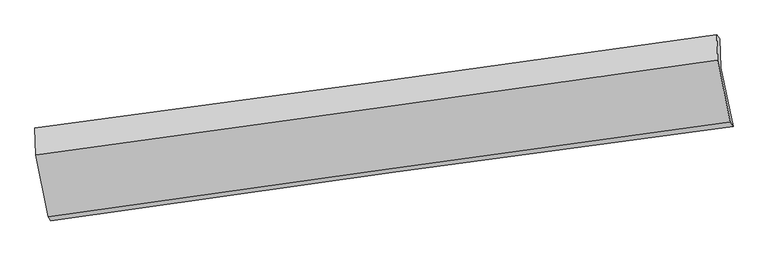
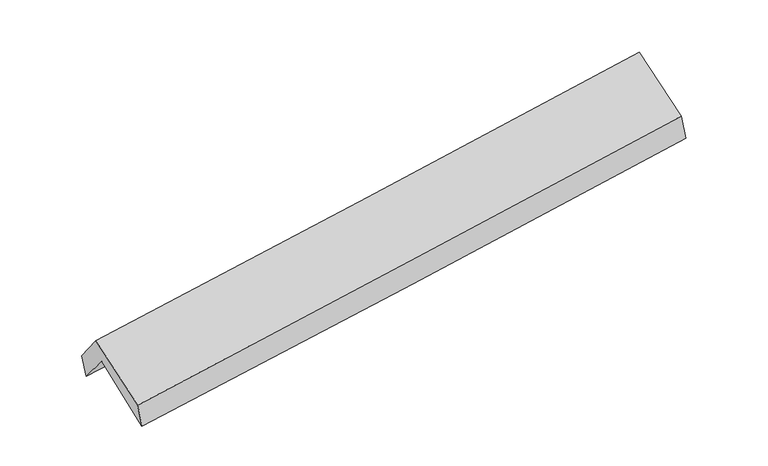
"""IFC4 building model written with IfcOpenShell, lengths in millimetres: proxy geometry."""

from ifc_helpers import new_model, si_unit, frame, origin, place, context, project, spatial, source, transform, mapped, element, save
from ifc_brep_helpers import plane_surface, spline_curve, spline_surface, advanced_brep


def generic_models_30149228(model_context):
    return source(origin(), model_context, "Body", "AdvancedBrep", [
        advanced_brep(
        [(-2902.6838479, -2516.213451, 1449.3235857), (-3010.6549672, -2001.682307, 1868.182991), (2952.8303136, -1175.947143, 2353.28346), (3061.7267837, -1691.0066661, 1933.9732851), (-3019.3746431, -1742.3559525, 1554.4424588), (2944.9346953, -923.4917828, 2040.8910792), (-3042.4570573, -1704.0573385, 1758.420451), (2920.5646703, -888.2218604, 2262.2078529), (-3036.1121686, -1939.570857, 2061.4301098), (2926.5825615, -1111.4645361, 2549.4309051), (-2925.7926384, -2484.2067408, 1663.646429), (3036.9802535, -1652.4336032, 2154.3138406)],
        [
            (0, 1),
            (1, 2, spline_curve(3, [(-3010.6549672, -2001.682307, 1868.182991), (-2015.820316531, -1858.260047719, 1930.039091408), (-1021.378509402, -1717.728710088, 2001.398954907), (966.449704696, -1442.485223975, 2163.10426803), (1959.836323975, -1307.77150701, 2253.444560566), (2952.8303136, -1175.947143, 2353.28346)], [4, 2, 4], [0.0, 9.910422050175825, 19.81815511351526])),
            (2, 3),
            (3, 0, spline_curve(3, [(3061.7267837, -1691.0066661, 1933.9732851), (2068.077281613, -1820.273601467, 1836.219301309), (1074.285769387, -1953.664411201, 1746.959161517), (-913.851030562, -2228.731100874, 1585.404650682), (-1908.196395653, -2370.409219467, 1513.114890588), (-2902.6838479, -2516.213451, 1449.3235857)], [4, 2, 4], [0.0, 9.907733063339435, 19.81815511351526])),
            (1, 4),
            (4, 5, spline_curve(3, [(-3019.3746431, -1742.3559525, 1554.4424588), (-2024.123815417, -1602.371785566, 1616.976736094), (-1029.405257712, -1464.131999245, 1688.788018465), (958.697566346, -1191.178222744, 1850.942592115), (1952.082121459, -1056.463285755, 1941.280849877), (2944.9346953, -923.4917828, 2040.8910792)], [4, 2, 4], [0.0, 9.909750678882075, 19.816812553090394])),
            (5, 2),
            (4, 6),
            (6, 7, spline_curve(3, [(-3042.4570573, -1704.0573385, 1758.420451), (-2047.66599326, -1571.521771091, 1837.687585094), (-1053.284616319, -1437.258238808, 1919.309451363), (934.389070581, -1165.312141655, 2087.239863134), (1927.681602553, -1027.630514961, 2173.547130651), (2920.5646703, -888.2218604, 2262.2078529)], [4, 2, 4], [0.0, 9.90922686184501, 19.815765061143118])),
            (7, 5),
            (6, 8),
            (8, 9, spline_curve(3, [(-3036.1121686, -1939.570857, 2061.4301098), (-2041.430576239, -1802.945877742, 2135.43602732), (-1047.131184652, -1665.615069128, 2213.111735064), (940.433517901, -1389.579245642, 2375.780657728), (1933.699036533, -1250.874614262, 2460.771882226), (2926.5825615, -1111.4645361, 2549.4309051)], [4, 2, 4], [0.0, 9.90894835560028, 19.815208124220533])),
            (9, 7),
            (8, 10),
            (10, 11, spline_curve(3, [(-2925.7926384, -2484.2067408, 1663.646429), (-1931.895827431, -2342.94792574, 1741.03458641), (-937.982258103, -2202.994862333, 1820.623462341), (1049.608714987, -1925.73785813, 1984.180460154), (2043.28610972, -1788.433208937, 2068.147388223), (3036.9802535, -1652.4336032, 2154.3138406)], [4, 2, 4], [0.0, 9.909645554379475, 19.81660233260854])),
            (11, 9),
            (10, 0),
            (3, 11),
        ],
        [
            spline_surface(3, 3, [[(-2902.6838479, -2516.213451, 1449.3235857), (-1908.196395785, -2370.409219388, 1513.114890498), (-913.85103064, -2228.731100811, 1585.404650634), (1074.285769465, -1953.664411263, 1746.959161565), (2068.077281521, -1820.273601568, 1836.219301231), (3061.7267837, -1691.0066661, 1933.9732851)], [(-2938.674221007, -2344.703069643, 1588.943387482), (-1944.071036068, -2199.692828812, 1652.08962415), (-949.693523527, -2058.396970581, 1724.069418759), (1038.340414471, -1783.27134885, 1885.674197024), (2031.996962375, -1649.439570024, 1975.294387729), (3025.427960326, -1519.320158389, 2073.743343419)], [(-2974.664594093, -2173.192688357, 1728.563189218), (-1979.945676328, -2028.976438306, 1791.064357755), (-985.536016358, -1888.062840311, 1862.734186877), (1002.395059533, -1612.878286396, 2024.389232476), (1995.91664325, -1478.605538512, 2114.369474169), (2989.129136974, -1347.633650711, 2213.513401681)], [(-3010.6549672, -2001.682307, 1868.182991), (-2015.820316611, -1858.260047731, 1930.039091406), (-1021.378509244, -1717.728710081, 2001.398955002), (966.449704539, -1442.485223983, 2163.104267935), (1959.836324104, -1307.771506969, 2253.444560667), (2952.8303136, -1175.947143, 2353.28346)]], [4, 4], [4, 2, 4], [0.0, 2.1908620188089056], [0.0, 9.910422050175825, 19.81815511351526]),
            spline_surface(3, 3, [[(-3010.6549672, -2001.682307, 1868.182991), (-2015.820316611, -1858.260047731, 1930.039091406), (-1021.378509244, -1717.728710081, 2001.398955002), (966.449704539, -1442.485223983, 2163.104267935), (1959.836324104, -1307.771506969, 2253.444560667), (2952.8303136, -1175.947143, 2353.28346)], [(-3013.561525824, -1915.240188841, 1763.602813578), (-2018.588149542, -1772.963960404, 1825.684972917), (-1024.05409204, -1633.196473172, 1897.195309456), (963.865658479, -1358.716223525, 2059.050375978), (1957.251589862, -1224.00209991, 2149.389990368), (2950.198440835, -1091.795356292, 2249.152666381)], [(-3016.468084476, -1828.798070659, 1659.022636222), (-2021.355982502, -1687.667873052, 1721.330854493), (-1026.729674882, -1548.664236275, 1792.991663986), (961.281612373, -1274.94722308, 1954.996484097), (1954.666855615, -1140.232692776, 2045.335420125), (2947.566568065, -1007.643569508, 2145.021872819)], [(-3019.3746431, -1742.3559525, 1554.4424588), (-2024.123815433, -1602.371785725, 1616.976736004), (-1029.405257678, -1464.131999366, 1688.78801844), (958.697566313, -1191.178222623, 1850.942592141), (1952.082121373, -1056.463285717, 1941.280849826), (2944.9346953, -923.4917828, 2040.8910792)]], [4, 4], [4, 2, 4], [0.0, 1.3179815525424043], [0.0, 9.909750678882075, 19.816812553090394]),
            spline_surface(3, 3, [[(-3019.3746431, -1742.3559525, 1554.4424588), (-2024.123815433, -1602.371785725, 1616.976736004), (-1029.405257678, -1464.131999366, 1688.78801844), (958.697566313, -1191.178222623, 1850.942592141), (1952.082121373, -1056.463285717, 1941.280849826), (2944.9346953, -923.4917828, 2040.8910792)], [(-3027.068781185, -1729.58974784, 1622.435122868), (-2031.971208098, -1592.088447551, 1690.547019063), (-1037.365043906, -1455.174079144, 1765.628496127), (950.594734401, -1182.556195665, 1929.708349129), (1943.948615169, -1046.852362086, 2018.702943462), (2936.811353651, -911.735141976, 2114.663337093)], [(-3034.762919215, -1716.82354316, 1690.427786932), (-2039.818600707, -1581.805109357, 1764.117302118), (-1045.324830111, -1446.216158929, 1842.468973758), (942.491902512, -1173.934168714, 2008.474106063), (1935.815108914, -1037.241438528, 2096.125037118), (2928.688011949, -899.978501224, 2188.435595007)], [(-3042.4570573, -1704.0573385, 1758.420451), (-2047.665993372, -1571.521771182, 1837.687585177), (-1053.284616338, -1437.258238707, 1919.309451446), (934.3890706, -1165.312141757, 2087.239863052), (1927.68160271, -1027.630514896, 2173.547130754), (2920.5646703, -888.2218604, 2262.2078529)]], [4, 4], [4, 2, 4], [0.0, 0.7746913660973813], [0.0, 9.90922686184501, 19.815765061143118]),
            spline_surface(3, 3, [[(-3042.4570573, -1704.0573385, 1758.420451), (-2047.665993372, -1571.521771182, 1837.687585177), (-1053.284616338, -1437.258238707, 1919.309451446), (934.3890706, -1165.312141757, 2087.239863052), (1927.68160271, -1027.630514896, 2173.547130754), (2920.5646703, -888.2218604, 2262.2078529)], [(-3040.342094381, -1782.561844658, 1859.423670618), (-2045.587520971, -1648.663140051, 1936.937065956), (-1051.233472454, -1513.377182162, 2017.243545923), (936.403886387, -1240.067843108, 2183.420127965), (1929.687413945, -1102.04521469, 2269.288714562), (2922.570634013, -962.636085648, 2357.948870297)], [(-3038.227131519, -1861.066350842, 1960.426890182), (-2043.509048628, -1725.804508946, 2036.18654668), (-1049.182328583, -1589.496125561, 2115.177640461), (938.41870216, -1314.823544402, 2279.60039294), (1931.69322524, -1176.459914441, 2365.030298381), (2924.576597787, -1037.050310852, 2453.689887703)], [(-3036.1121686, -1939.570857, 2061.4301098), (-2041.430576227, -1802.945877815, 2135.436027459), (-1047.131184699, -1665.615069017, 2213.111734939), (940.433517947, -1389.579245753, 2375.780657853), (1933.699036474, -1250.874614235, 2460.771882189), (2926.5825615, -1111.4645361, 2549.4309051)]], [4, 4], [4, 2, 4], [0.0, 1.2100733659233567], [0.0, 9.90894835560028, 19.815208124220533]),
            spline_surface(3, 3, [[(-3036.1121686, -1939.570857, 2061.4301098), (-2041.430576227, -1802.945877815, 2135.436027459), (-1047.131184699, -1665.615069017, 2213.111734939), (940.433517947, -1389.579245753, 2375.780657853), (1933.699036474, -1250.874614235, 2460.771882189), (2926.5825615, -1111.4645361, 2549.4309051)], [(-2999.338991881, -2121.116151594, 1928.835549517), (-2004.918993297, -1982.946560421, 2003.968880372), (-1010.748209164, -1844.741666757, 2082.282310743), (976.825250295, -1568.298783234, 2245.247258664), (1970.228060872, -1430.060812506, 2329.897050814), (2963.381792186, -1291.787558465, 2417.725216934)], [(-2962.565815119, -2302.661446206, 1796.240989283), (-1968.407410324, -2162.947243044, 1872.501733334), (-974.365233634, -2023.868264512, 1951.452886475), (1013.216982636, -1747.01832073, 2114.713859404), (2006.75708521, -1609.247010782, 2199.022219438), (3000.181022814, -1472.110580835, 2286.019528766)], [(-2925.7926384, -2484.2067408, 1663.646429), (-1931.895827395, -2342.94792565, 1741.034586247), (-937.982258099, -2202.994862252, 1820.62346228), (1049.608714984, -1925.737858211, 1984.180460215), (2043.286109608, -1788.433209053, 2068.147388064), (3036.9802535, -1652.4336032, 2154.3138406)]], [4, 4], [4, 2, 4], [0.0, 2.209972601076169], [0.0, 9.909645554379475, 19.81660233260854]),
            spline_surface(3, 3, [[(-2925.7926384, -2484.2067408, 1663.646429), (-1931.895827395, -2342.94792565, 1741.034586247), (-937.982258099, -2202.994862252, 1820.62346228), (1049.608714984, -1925.737858211, 1984.180460215), (2043.286109608, -1788.433209053, 2068.147388064), (3036.9802535, -1652.4336032, 2154.3138406)], [(-2918.089708221, -2494.875644223, 1592.205481236), (-1923.996016846, -2352.101690253, 1665.061354333), (-929.938515609, -2211.573608417, 1742.217191732), (1057.834399815, -1935.046709207, 1905.106694), (2051.549833567, -1799.046673222, 1990.838025796), (3045.229096888, -1665.291290831, 2080.866988776)], [(-2910.386778079, -2505.544547577, 1520.764533464), (-1916.096206333, -2361.255454785, 1589.088122412), (-921.89477313, -2220.152354646, 1663.810921181), (1066.060084634, -1944.355560267, 1826.03292778), (2059.813557562, -1809.660137399, 1913.5286635), (3053.477940312, -1678.148978469, 2007.420136924)], [(-2902.6838479, -2516.213451, 1449.3235857), (-1908.196395785, -2370.409219388, 1513.114890498), (-913.85103064, -2228.731100811, 1585.404650634), (1074.285769465, -1953.664411263, 1746.959161565), (2068.077281521, -1820.273601568, 1836.219301231), (3061.7267837, -1691.0066661, 1933.9732851)]], [4, 4], [4, 2, 4], [0.0, 0.7840812832878612], [0.0, 9.910611297842086, 19.818533557499364]),
            plane_surface(frame((2973.9365463, -1240.4275986, 2215.6834038), z_axis=(0.9866264777874578, 0.1380650254238429, 0.08663857156849399), x_axis=(0.16260422419992587, -0.7967907102963941, -0.5819660043831668))),
            plane_surface(frame((-2989.5125538, -2064.6811078, 1725.9076709), z_axis=(-0.9868192319803585, -0.13713208832204105, -0.08592202131078742), x_axis=(-0.10603852134558932, 0.14686810306620218, 0.9834559432392366))),
        ],
        [
            (0, [[1, 2, 3, 4]]),
            (1, [[5, 6, 7, -2]]),
            (2, [[8, 9, 10, -6]]),
            (3, [[11, 12, 13, -9]]),
            (4, [[14, 15, 16, -12]]),
            (5, [[17, -4, 18, -15]]),
            (6, [[-16, -18, -3, -7, -10, -13]]),
            (7, [[-17, -14, -11, -8, -5, -1]]),
        ],
    ),
    ])


if __name__ == "__main__":
    model = new_model("IFC4")
    model_context = context("Model", 3, world=origin())
    ifc_project = project(units=[si_unit("LENGTHUNIT", "METRE", prefix="MILLI")], contexts=[model_context])
    site = spatial("IfcSite", under=ifc_project)
    building = spatial("IfcBuilding", under=site)
    placement = place(None, origin())
    generic_models_shape = generic_models_30149228(model_context)
    element("IfcBuildingElementProxy", 1, Name="Generic Models", at=placement, inside=building, context=model_context, shape_type="MappedRepresentation", body=[
        mapped(generic_models_shape, transform((0.0, 0.0, 0.0), x_axis=(1.0, 0.0, 0.0), y_axis=(0.0, 1.0, 0.0), z_axis=(0.0, 0.0, 1.0))),
    ])
    save(model, "model.ifc")
